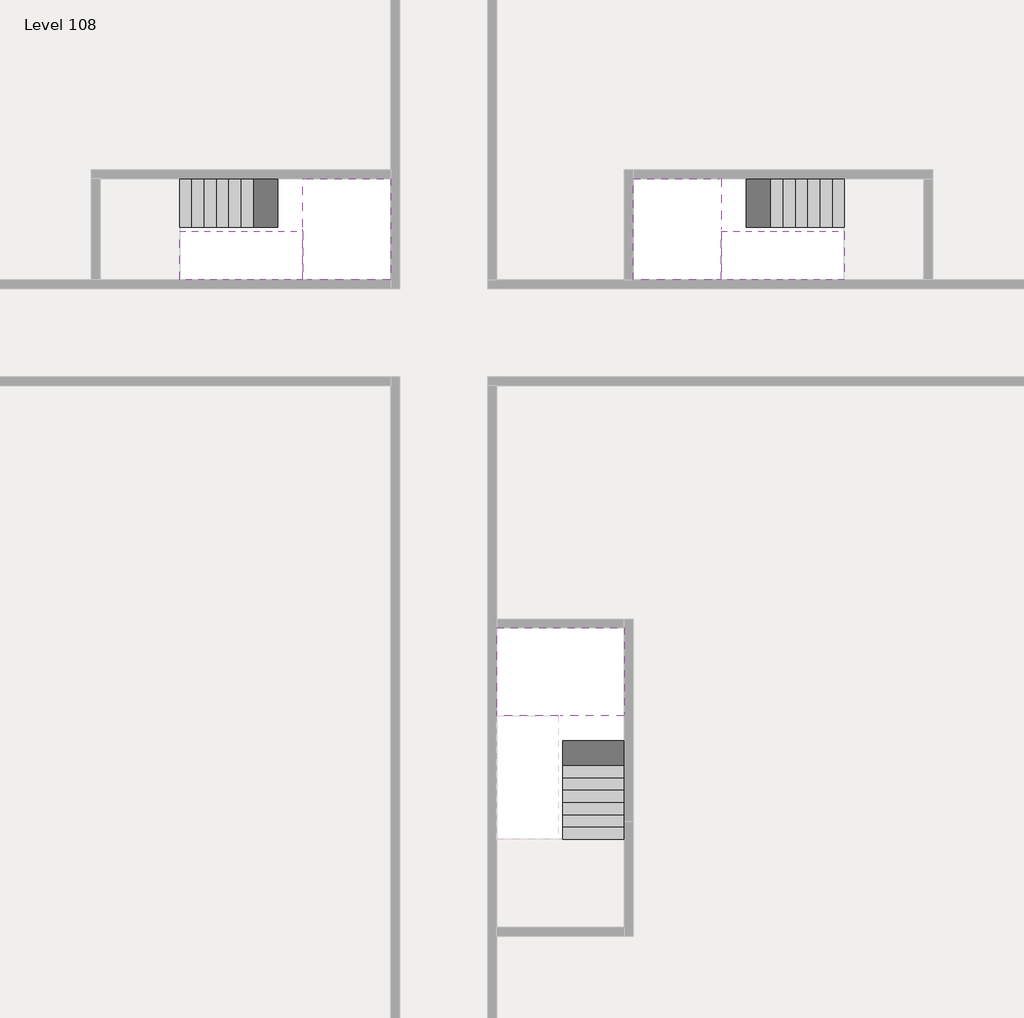
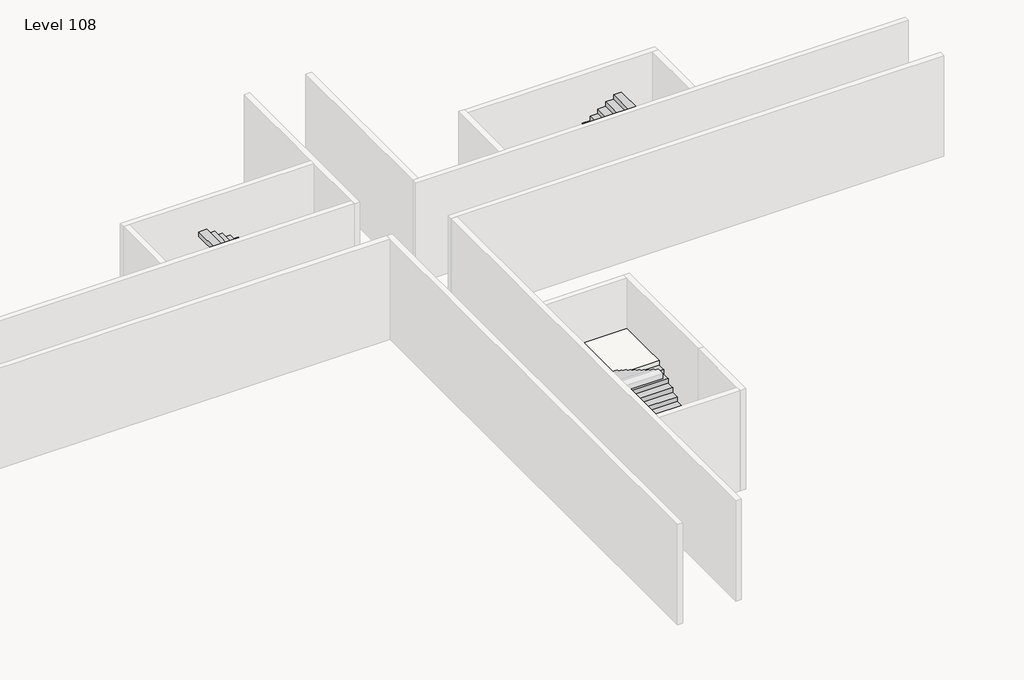
# One storey, part 2 of 2: 5 stair flights, 3 slabs.
"""IFC4 building model written with IfcOpenShell, lengths in millimetres."""

from ifc_helpers import new_model, si_unit, origin, place, context, project, spatial, faceted_brep, element, save

model = new_model("IFC4")

# Units and contexts
model_context = context("Model", 3, world=origin())
ifc_project = project(units=[si_unit("LENGTHUNIT", "METRE", prefix="MILLI")], contexts=[model_context])

# Site, building, storey
site = spatial("IfcSite", under=ifc_project)
building = spatial("IfcBuilding", under=site)
storey = spatial("IfcBuildingStorey", under=building, Name="Level 108", Elevation=406600.0)

# Slabs
placement = place(None, origin())
element("IfcSlab", 1, at=placement, inside=storey, context=model_context, shape_type="Brep", body=[
    faceted_brep([(26890.1058784, -40418.09644, 408500.0), (28290.1058784, -40418.09644, 408500.0), (28290.1058784, -40338.7100038, 408500.0), (28290.1058784, -38418.09644, 408500.0), (25390.1058784, -38418.09644, 408500.0), (25390.1058784, -40217.4828763, 408500.0), (25390.1058784, -40418.09644, 408500.0), (26790.1058784, -40418.09644, 408500.0), (26890.1058784, -40418.09644, 408200.0), (26890.1058784, -40418.09644, 408151.0278478), (28290.1058784, -40418.09644, 408151.0278478), (28290.1058784, -40418.09644, 408327.2727273), (28290.1058784, -40338.7100038, 408200.0), (28290.1058784, -38418.09644, 408200.0), (25390.1058784, -38418.09644, 408200.0), (25390.1058784, -40217.4828763, 408200.0), (25390.1058784, -40418.09644, 408323.7551205), (26790.1058784, -40418.09644, 408323.7551205), (26790.1058784, -40418.09644, 408200.0), (26790.1058784, -40217.4828763, 408200.0), (26890.1058784, -40338.7100038, 408200.0)], [[[0, 1, 2, 3, 4, 5, 6, 7]], [[1, 0, 8, 9, 10, 11]], [[1, 11, 10, 12, 13, 3, 2]], [[4, 3, 13, 14]], [[4, 14, 15, 16, 6, 5]], [[7, 6, 16, 17]], [[0, 7, 17, 18, 8]], [[18, 19, 15, 14, 13, 12, 20, 8]], [[19, 18, 17]], [[20, 12, 10, 9]], [[8, 20, 9]], [[15, 19, 17, 16]]]),
])
element("IfcSlab", 2, at=placement, inside=storey, context=model_context, shape_type="Brep", body=[
    faceted_brep([(20990.1058784, -28218.09644, 408500.0), (20990.1058784, -29318.09644, 408500.0), (20990.1058784, -29418.09644, 408500.0), (20990.1058784, -30518.09644, 408500.0), (21190.7194421, -30518.09644, 408500.0), (22990.1058784, -30518.09644, 408500.0), (22990.1058784, -28218.09644, 408500.0), (21069.4923146, -28218.09644, 408500.0), (20990.1058784, -28218.09644, 408327.2727273), (20990.1058784, -28218.09644, 408151.0278478), (20990.1058784, -29318.09644, 408151.0278478), (20990.1058784, -29318.09644, 408200.0), (20990.1058784, -29418.09644, 408200.0), (20990.1058784, -29418.09644, 408323.7551205), (20990.1058784, -30518.09644, 408323.7551205), (21190.7194421, -30518.09644, 408200.0), (22990.1058784, -30518.09644, 408200.0), (22990.1058784, -28218.09644, 408200.0), (21069.4923146, -28218.09644, 408200.0), (21190.7194421, -29418.09644, 408200.0), (21069.4923146, -29318.09644, 408200.0)], [[[0, 1, 2, 3, 4, 5, 6, 7]], [[1, 0, 8, 9, 10, 11]], [[2, 1, 11, 12, 13]], [[3, 2, 13, 14]], [[3, 14, 15, 16, 5, 4]], [[6, 5, 16, 17]], [[9, 8, 0, 7, 6, 17, 18]], [[19, 12, 11, 20, 18, 17, 16, 15]], [[12, 19, 13]], [[18, 20, 10, 9]], [[20, 11, 10]], [[19, 15, 14, 13]]]),
])
element("IfcSlab", 3, at=placement, inside=storey, context=model_context, shape_type="Brep", body=[
    faceted_brep([(30490.1058784, -29318.09644, 408500.0), (30490.1058784, -28218.09644, 408500.0), (30410.7194421, -28218.09644, 408500.0), (28490.1058784, -28218.09644, 408500.0), (28490.1058784, -30518.09644, 408500.0), (30289.4923146, -30518.09644, 408500.0), (30490.1058784, -30518.09644, 408500.0), (30490.1058784, -29418.09644, 408500.0), (30490.1058784, -29318.09644, 408200.0), (30490.1058784, -29318.09644, 408151.0278478), (30490.1058784, -28218.09644, 408151.0278478), (30490.1058784, -28218.09644, 408327.2727273), (30490.1058784, -29418.09644, 408323.7551205), (30490.1058784, -29418.09644, 408200.0), (30490.1058784, -30518.09644, 408323.7551205), (28490.1058784, -30518.09644, 408200.0), (30289.4923146, -30518.09644, 408200.0), (28490.1058784, -28218.09644, 408200.0), (30410.7194421, -28218.09644, 408200.0), (30289.4923146, -29418.09644, 408200.0), (30410.7194421, -29318.09644, 408200.0)], [[[0, 1, 2, 3, 4, 5, 6, 7]], [[1, 0, 8, 9, 10, 11]], [[0, 7, 12, 13, 8]], [[7, 6, 14, 12]], [[4, 15, 16, 14, 6, 5]], [[4, 3, 17, 15]], [[1, 11, 10, 18, 17, 3, 2]], [[13, 19, 16, 15, 17, 18, 20, 8]], [[20, 18, 10, 9]], [[8, 20, 9]], [[16, 19, 12, 14]], [[19, 13, 12]]]),
])

# Stair flights
element("IfcStairFlight", 4, at=placement, inside=storey, context=model_context, shape_type="Brep", body=[
    faceted_brep([(26890.1058784, -42938.09644, 406772.7272727), (26890.1058784, -43218.09644, 406772.7272727), (28290.1058784, -43218.09644, 406772.7272727), (28290.1058784, -42938.09644, 406772.7272727), (26890.1058784, -42938.09644, 406600.0), (26890.1058784, -43218.09644, 406600.0), (28290.1058784, -43218.09644, 406600.0), (28290.1058784, -42938.09644, 406600.0), (26890.1058784, -42658.09644, 406945.4545455), (26890.1058784, -42938.09644, 406945.4545455), (28290.1058784, -42938.09644, 406945.4545455), (28290.1058784, -42658.09644, 406945.4545455), (26890.1058784, -42658.09644, 406769.209666), (26890.1058784, -42932.3942143, 406600.0), (28290.1058784, -42932.3942143, 406600.0), (28290.1058784, -42658.09644, 406769.209666), (26890.1058784, -42378.09644, 407118.1818182), (26890.1058784, -42658.09644, 407118.1818182), (28290.1058784, -42658.09644, 407118.1818182), (28290.1058784, -42378.09644, 407118.1818182), (26890.1058784, -42378.09644, 406941.9369387), (28290.1058784, -42378.09644, 406941.9369387), (26890.1058784, -42098.09644, 407290.9090909), (26890.1058784, -42378.09644, 407290.9090909), (28290.1058784, -42378.09644, 407290.9090909), (28290.1058784, -42098.09644, 407290.9090909), (26890.1058784, -42098.09644, 407114.6642114), (28290.1058784, -42098.09644, 407114.6642114), (26890.1058784, -41818.09644, 407463.6363636), (26890.1058784, -42098.09644, 407463.6363636), (28290.1058784, -42098.09644, 407463.6363636), (28290.1058784, -41818.09644, 407463.6363636), (26890.1058784, -41818.09644, 407287.3914841), (28290.1058784, -41818.09644, 407287.3914841), (26890.1058784, -41538.09644, 407636.3636364), (26890.1058784, -41818.09644, 407636.3636364), (28290.1058784, -41818.09644, 407636.3636364), (28290.1058784, -41538.09644, 407636.3636364), (26890.1058784, -41538.09644, 407460.1187569), (28290.1058784, -41538.09644, 407460.1187569), (26890.1058784, -41258.09644, 407809.0909091), (26890.1058784, -41538.09644, 407809.0909091), (28290.1058784, -41538.09644, 407809.0909091), (28290.1058784, -41258.09644, 407809.0909091), (26890.1058784, -41258.09644, 407632.8460296), (28290.1058784, -41258.09644, 407632.8460296), (26890.1058784, -40978.09644, 407981.8181818), (26890.1058784, -41258.09644, 407981.8181818), (28290.1058784, -41258.09644, 407981.8181818), (28290.1058784, -40978.09644, 407981.8181818), (26890.1058784, -40978.09644, 407805.5733023), (28290.1058784, -40978.09644, 407805.5733023), (26890.1058784, -40698.09644, 408154.5454545), (26890.1058784, -40978.09644, 408154.5454545), (28290.1058784, -40978.09644, 408154.5454545), (28290.1058784, -40698.09644, 408154.5454545), (26890.1058784, -40698.09644, 407978.3005751), (28290.1058784, -40698.09644, 407978.3005751), (26890.1058784, -40418.09644, 408327.2727273), (26890.1058784, -40698.09644, 408327.2727273), (28290.1058784, -40698.09644, 408327.2727273), (28290.1058784, -40418.09644, 408327.2727273), (26890.1058784, -40418.09644, 408200.0), (26890.1058784, -40418.09644, 408151.0278478), (28290.1058784, -40418.09644, 408151.0278478)], [[[0, 1, 2, 3]], [[1, 0, 4, 5]], [[2, 1, 5, 6]], [[3, 2, 6, 7]], [[8, 9, 10, 11]], [[4, 0, 9, 8, 12, 13]], [[0, 3, 10, 9]], [[3, 7, 14, 15, 11, 10]], [[16, 17, 18, 19]], [[17, 16, 20, 12, 8]], [[8, 11, 18, 17]], [[19, 18, 11, 15, 21]], [[22, 23, 24, 25]], [[23, 22, 26, 20, 16]], [[16, 19, 24, 23]], [[25, 24, 19, 21, 27]], [[28, 29, 30, 31]], [[29, 28, 32, 26, 22]], [[22, 25, 30, 29]], [[31, 30, 25, 27, 33]], [[34, 35, 36, 37]], [[35, 34, 38, 32, 28]], [[28, 31, 36, 35]], [[37, 36, 31, 33, 39]], [[40, 41, 42, 43]], [[41, 40, 44, 38, 34]], [[34, 37, 42, 41]], [[43, 42, 37, 39, 45]], [[46, 47, 48, 49]], [[47, 46, 50, 44, 40]], [[40, 43, 48, 47]], [[49, 48, 43, 45, 51]], [[52, 53, 54, 55]], [[53, 52, 56, 50, 46]], [[46, 49, 54, 53]], [[55, 54, 49, 51, 57]], [[58, 59, 60, 61]], [[59, 58, 62, 63, 56, 52]], [[52, 55, 60, 59]], [[61, 60, 55, 57, 64]], [[58, 61, 64, 63, 62]], [[5, 4, 13, 14, 7, 6]], [[14, 13, 12, 20, 26, 32, 38, 44, 50, 56, 63, 64, 57, 51, 45, 39, 33, 27, 21, 15]]]),
])
element("IfcStairFlight", 5, at=placement, inside=storey, context=model_context, shape_type="Brep", body=[
    faceted_brep([(18470.1058784, -28218.09644, 406772.7272727), (18190.1058784, -28218.09644, 406772.7272727), (18190.1058784, -29318.09644, 406772.7272727), (18470.1058784, -29318.09644, 406772.7272727), (18470.1058784, -28218.09644, 406600.0), (18190.1058784, -28218.09644, 406600.0), (18190.1058784, -29318.09644, 406600.0), (18470.1058784, -29318.09644, 406600.0), (18750.1058784, -28218.09644, 406945.4545455), (18470.1058784, -28218.09644, 406945.4545455), (18470.1058784, -29318.09644, 406945.4545455), (18750.1058784, -29318.09644, 406945.4545455), (18750.1058784, -28218.09644, 406769.209666), (18475.8081041, -28218.09644, 406600.0), (18475.8081041, -29318.09644, 406600.0), (18750.1058784, -29318.09644, 406769.209666), (19030.1058784, -28218.09644, 407118.1818182), (18750.1058784, -28218.09644, 407118.1818182), (18750.1058784, -29318.09644, 407118.1818182), (19030.1058784, -29318.09644, 407118.1818182), (19030.1058784, -28218.09644, 406941.9369387), (19030.1058784, -29318.09644, 406941.9369387), (19310.1058784, -28218.09644, 407290.9090909), (19030.1058784, -28218.09644, 407290.9090909), (19030.1058784, -29318.09644, 407290.9090909), (19310.1058784, -29318.09644, 407290.9090909), (19310.1058784, -28218.09644, 407114.6642114), (19310.1058784, -29318.09644, 407114.6642114), (19590.1058784, -28218.09644, 407463.6363636), (19310.1058784, -28218.09644, 407463.6363636), (19310.1058784, -29318.09644, 407463.6363636), (19590.1058784, -29318.09644, 407463.6363636), (19590.1058784, -28218.09644, 407287.3914841), (19590.1058784, -29318.09644, 407287.3914841), (19870.1058784, -28218.09644, 407636.3636364), (19590.1058784, -28218.09644, 407636.3636364), (19590.1058784, -29318.09644, 407636.3636364), (19870.1058784, -29318.09644, 407636.3636364), (19870.1058784, -28218.09644, 407460.1187569), (19870.1058784, -29318.09644, 407460.1187569), (20150.1058784, -28218.09644, 407809.0909091), (19870.1058784, -28218.09644, 407809.0909091), (19870.1058784, -29318.09644, 407809.0909091), (20150.1058784, -29318.09644, 407809.0909091), (20150.1058784, -28218.09644, 407632.8460296), (20150.1058784, -29318.09644, 407632.8460296), (20430.1058784, -28218.09644, 407981.8181818), (20150.1058784, -28218.09644, 407981.8181818), (20150.1058784, -29318.09644, 407981.8181818), (20430.1058784, -29318.09644, 407981.8181818), (20430.1058784, -28218.09644, 407805.5733023), (20430.1058784, -29318.09644, 407805.5733023), (20710.1058784, -28218.09644, 408154.5454545), (20430.1058784, -28218.09644, 408154.5454545), (20430.1058784, -29318.09644, 408154.5454545), (20710.1058784, -29318.09644, 408154.5454545), (20710.1058784, -28218.09644, 407978.3005751), (20710.1058784, -29318.09644, 407978.3005751), (20990.1058784, -28218.09644, 408327.2727273), (20710.1058784, -28218.09644, 408327.2727273), (20710.1058784, -29318.09644, 408327.2727273), (20990.1058784, -29318.09644, 408327.2727273), (20990.1058784, -28218.09644, 408151.0278478), (20990.1058784, -29318.09644, 408151.0278478), (20990.1058784, -29318.09644, 408200.0)], [[[0, 1, 2, 3]], [[1, 0, 4, 5]], [[2, 1, 5, 6]], [[3, 2, 6, 7]], [[8, 9, 10, 11]], [[4, 0, 9, 8, 12, 13]], [[0, 3, 10, 9]], [[3, 7, 14, 15, 11, 10]], [[16, 17, 18, 19]], [[17, 16, 20, 12, 8]], [[8, 11, 18, 17]], [[19, 18, 11, 15, 21]], [[22, 23, 24, 25]], [[23, 22, 26, 20, 16]], [[16, 19, 24, 23]], [[25, 24, 19, 21, 27]], [[28, 29, 30, 31]], [[29, 28, 32, 26, 22]], [[22, 25, 30, 29]], [[31, 30, 25, 27, 33]], [[34, 35, 36, 37]], [[35, 34, 38, 32, 28]], [[28, 31, 36, 35]], [[37, 36, 31, 33, 39]], [[40, 41, 42, 43]], [[41, 40, 44, 38, 34]], [[34, 37, 42, 41]], [[43, 42, 37, 39, 45]], [[46, 47, 48, 49]], [[47, 46, 50, 44, 40]], [[40, 43, 48, 47]], [[49, 48, 43, 45, 51]], [[52, 53, 54, 55]], [[53, 52, 56, 50, 46]], [[46, 49, 54, 53]], [[55, 54, 49, 51, 57]], [[58, 59, 60, 61]], [[59, 58, 62, 56, 52]], [[52, 55, 60, 59]], [[61, 60, 55, 57, 63, 64]], [[58, 61, 64, 63, 62]], [[5, 4, 13, 14, 7, 6]], [[14, 13, 12, 20, 26, 32, 38, 44, 50, 56, 62, 63, 57, 51, 45, 39, 33, 27, 21, 15]]]),
])
element("IfcStairFlight", 6, at=placement, inside=storey, context=model_context, shape_type="Brep", body=[
    faceted_brep([(20710.1058784, -30518.09644, 408672.7272727), (20990.1058784, -30518.09644, 408672.7272727), (20990.1058784, -29418.09644, 408672.7272727), (20710.1058784, -29418.09644, 408672.7272727), (20710.1058784, -30518.09644, 408496.4823932), (20990.1058784, -30518.09644, 408323.7551205), (20990.1058784, -30518.09644, 408500.0), (20990.1058784, -29418.09644, 408323.7551205), (20710.1058784, -29418.09644, 408496.4823932), (20430.1058784, -30518.09644, 408845.4545455), (20710.1058784, -30518.09644, 408845.4545455), (20710.1058784, -29418.09644, 408845.4545455), (20430.1058784, -29418.09644, 408845.4545455), (20430.1058784, -30518.09644, 408669.209666), (20430.1058784, -29418.09644, 408669.209666), (20150.1058784, -30518.09644, 409018.1818182), (20430.1058784, -30518.09644, 409018.1818182), (20430.1058784, -29418.09644, 409018.1818182), (20150.1058784, -29418.09644, 409018.1818182), (20150.1058784, -30518.09644, 408841.9369387), (20150.1058784, -29418.09644, 408841.9369387), (19870.1058784, -30518.09644, 409190.9090909), (20150.1058784, -30518.09644, 409190.9090909), (20150.1058784, -29418.09644, 409190.9090909), (19870.1058784, -29418.09644, 409190.9090909), (19870.1058784, -30518.09644, 409014.6642114), (19870.1058784, -29418.09644, 409014.6642114), (19590.1058784, -30518.09644, 409363.6363636), (19870.1058784, -30518.09644, 409363.6363636), (19870.1058784, -29418.09644, 409363.6363636), (19590.1058784, -29418.09644, 409363.6363636), (19590.1058784, -30518.09644, 409187.3914841), (19590.1058784, -29418.09644, 409187.3914841), (19310.1058784, -30518.09644, 409536.3636364), (19590.1058784, -30518.09644, 409536.3636364), (19590.1058784, -29418.09644, 409536.3636364), (19310.1058784, -29418.09644, 409536.3636364), (19310.1058784, -30518.09644, 409360.1187569), (19310.1058784, -29418.09644, 409360.1187569), (19030.1058784, -30518.09644, 409709.0909091), (19310.1058784, -30518.09644, 409709.0909091), (19310.1058784, -29418.09644, 409709.0909091), (19030.1058784, -29418.09644, 409709.0909091), (19030.1058784, -30518.09644, 409532.8460296), (19030.1058784, -29418.09644, 409532.8460296), (18750.1058784, -30518.09644, 409881.8181818), (19030.1058784, -30518.09644, 409881.8181818), (19030.1058784, -29418.09644, 409881.8181818), (18750.1058784, -29418.09644, 409881.8181818), (18750.1058784, -30518.09644, 409705.5733023), (18750.1058784, -29418.09644, 409705.5733023), (18470.1058784, -30518.09644, 410054.5454545), (18750.1058784, -30518.09644, 410054.5454545), (18750.1058784, -29418.09644, 410054.5454545), (18470.1058784, -29418.09644, 410054.5454545), (18470.1058784, -30518.09644, 409878.3005751), (18470.1058784, -29418.09644, 409878.3005751), (18190.1058784, -30518.09644, 410227.2727273), (18470.1058784, -30518.09644, 410227.2727273), (18470.1058784, -29418.09644, 410227.2727273), (18190.1058784, -29418.09644, 410227.2727273), (18190.1058784, -30518.09644, 410051.0278478), (18190.1058784, -29418.09644, 410051.0278478)], [[[0, 1, 2, 3]], [[1, 0, 4, 5, 6]], [[2, 1, 6, 5, 7]], [[3, 2, 7, 8]], [[9, 10, 11, 12]], [[10, 9, 13, 4, 0]], [[11, 10, 0, 3]], [[12, 11, 3, 8, 14]], [[15, 16, 17, 18]], [[16, 15, 19, 13, 9]], [[17, 16, 9, 12]], [[18, 17, 12, 14, 20]], [[21, 22, 23, 24]], [[22, 21, 25, 19, 15]], [[23, 22, 15, 18]], [[24, 23, 18, 20, 26]], [[27, 28, 29, 30]], [[28, 27, 31, 25, 21]], [[29, 28, 21, 24]], [[30, 29, 24, 26, 32]], [[33, 34, 35, 36]], [[34, 33, 37, 31, 27]], [[35, 34, 27, 30]], [[36, 35, 30, 32, 38]], [[39, 40, 41, 42]], [[40, 39, 43, 37, 33]], [[41, 40, 33, 36]], [[42, 41, 36, 38, 44]], [[45, 46, 47, 48]], [[46, 45, 49, 43, 39]], [[47, 46, 39, 42]], [[48, 47, 42, 44, 50]], [[51, 52, 53, 54]], [[52, 51, 55, 49, 45]], [[53, 52, 45, 48]], [[54, 53, 48, 50, 56]], [[57, 58, 59, 60]], [[58, 57, 61, 55, 51]], [[59, 58, 51, 54]], [[60, 59, 54, 56, 62]], [[57, 60, 62, 61]], [[5, 4, 13, 19, 25, 31, 37, 43, 49, 55, 61, 62, 56, 50, 44, 38, 32, 26, 20, 14, 8, 7]]]),
])
element("IfcStairFlight", 7, at=placement, inside=storey, context=model_context, shape_type="Brep", body=[
    faceted_brep([(33010.1058784, -29318.09644, 406772.7272727), (33290.1058784, -29318.09644, 406772.7272727), (33290.1058784, -28218.09644, 406772.7272727), (33010.1058784, -28218.09644, 406772.7272727), (33290.1058784, -28218.09644, 406600.0), (33010.1058784, -28218.09644, 406600.0), (33290.1058784, -29318.09644, 406600.0), (33010.1058784, -29318.09644, 406600.0), (32730.1058784, -29318.09644, 406945.4545455), (33010.1058784, -29318.09644, 406945.4545455), (33010.1058784, -28218.09644, 406945.4545455), (32730.1058784, -28218.09644, 406945.4545455), (33004.4036527, -28218.09644, 406600.0), (32730.1058784, -28218.09644, 406769.209666), (32730.1058784, -29318.09644, 406769.209666), (33004.4036527, -29318.09644, 406600.0), (32450.1058784, -29318.09644, 407118.1818182), (32730.1058784, -29318.09644, 407118.1818182), (32730.1058784, -28218.09644, 407118.1818182), (32450.1058784, -28218.09644, 407118.1818182), (32450.1058784, -28218.09644, 406941.9369387), (32450.1058784, -29318.09644, 406941.9369387), (32170.1058784, -29318.09644, 407290.9090909), (32450.1058784, -29318.09644, 407290.9090909), (32450.1058784, -28218.09644, 407290.9090909), (32170.1058784, -28218.09644, 407290.9090909), (32170.1058784, -28218.09644, 407114.6642114), (32170.1058784, -29318.09644, 407114.6642114), (31890.1058784, -29318.09644, 407463.6363636), (32170.1058784, -29318.09644, 407463.6363636), (32170.1058784, -28218.09644, 407463.6363636), (31890.1058784, -28218.09644, 407463.6363636), (31890.1058784, -28218.09644, 407287.3914841), (31890.1058784, -29318.09644, 407287.3914841), (31610.1058784, -29318.09644, 407636.3636364), (31890.1058784, -29318.09644, 407636.3636364), (31890.1058784, -28218.09644, 407636.3636364), (31610.1058784, -28218.09644, 407636.3636364), (31610.1058784, -28218.09644, 407460.1187569), (31610.1058784, -29318.09644, 407460.1187569), (31330.1058784, -29318.09644, 407809.0909091), (31610.1058784, -29318.09644, 407809.0909091), (31610.1058784, -28218.09644, 407809.0909091), (31330.1058784, -28218.09644, 407809.0909091), (31330.1058784, -28218.09644, 407632.8460296), (31330.1058784, -29318.09644, 407632.8460296), (31050.1058784, -29318.09644, 407981.8181818), (31330.1058784, -29318.09644, 407981.8181818), (31330.1058784, -28218.09644, 407981.8181818), (31050.1058784, -28218.09644, 407981.8181818), (31050.1058784, -28218.09644, 407805.5733023), (31050.1058784, -29318.09644, 407805.5733023), (30770.1058784, -29318.09644, 408154.5454545), (31050.1058784, -29318.09644, 408154.5454545), (31050.1058784, -28218.09644, 408154.5454545), (30770.1058784, -28218.09644, 408154.5454545), (30770.1058784, -28218.09644, 407978.3005751), (30770.1058784, -29318.09644, 407978.3005751), (30490.1058784, -29318.09644, 408327.2727273), (30770.1058784, -29318.09644, 408327.2727273), (30770.1058784, -28218.09644, 408327.2727273), (30490.1058784, -28218.09644, 408327.2727273), (30490.1058784, -28218.09644, 408151.0278478), (30490.1058784, -29318.09644, 408200.0), (30490.1058784, -29318.09644, 408151.0278478)], [[[0, 1, 2, 3]], [[3, 2, 4, 5]], [[2, 1, 6, 4]], [[1, 0, 7, 6]], [[8, 9, 10, 11]], [[3, 5, 12, 13, 11, 10]], [[0, 3, 10, 9]], [[7, 0, 9, 8, 14, 15]], [[16, 17, 18, 19]], [[19, 18, 11, 13, 20]], [[8, 11, 18, 17]], [[17, 16, 21, 14, 8]], [[22, 23, 24, 25]], [[25, 24, 19, 20, 26]], [[16, 19, 24, 23]], [[23, 22, 27, 21, 16]], [[28, 29, 30, 31]], [[31, 30, 25, 26, 32]], [[22, 25, 30, 29]], [[29, 28, 33, 27, 22]], [[34, 35, 36, 37]], [[37, 36, 31, 32, 38]], [[28, 31, 36, 35]], [[35, 34, 39, 33, 28]], [[40, 41, 42, 43]], [[43, 42, 37, 38, 44]], [[34, 37, 42, 41]], [[41, 40, 45, 39, 34]], [[46, 47, 48, 49]], [[49, 48, 43, 44, 50]], [[40, 43, 48, 47]], [[47, 46, 51, 45, 40]], [[52, 53, 54, 55]], [[55, 54, 49, 50, 56]], [[46, 49, 54, 53]], [[53, 52, 57, 51, 46]], [[58, 59, 60, 61]], [[61, 60, 55, 56, 62]], [[52, 55, 60, 59]], [[59, 58, 63, 64, 57, 52]], [[58, 61, 62, 64, 63]], [[6, 7, 15, 12, 5, 4]], [[12, 15, 14, 21, 27, 33, 39, 45, 51, 57, 64, 62, 56, 50, 44, 38, 32, 26, 20, 13]]]),
])
element("IfcStairFlight", 8, at=placement, inside=storey, context=model_context, shape_type="Brep", body=[
    faceted_brep([(30770.1058784, -29418.09644, 408672.7272727), (30490.1058784, -29418.09644, 408672.7272727), (30490.1058784, -30518.09644, 408672.7272727), (30770.1058784, -30518.09644, 408672.7272727), (30490.1058784, -30518.09644, 408500.0), (30490.1058784, -30518.09644, 408323.7551205), (30770.1058784, -30518.09644, 408496.4823932), (30490.1058784, -29418.09644, 408323.7551205), (30770.1058784, -29418.09644, 408496.4823932), (31050.1058784, -29418.09644, 408845.4545455), (30770.1058784, -29418.09644, 408845.4545455), (30770.1058784, -30518.09644, 408845.4545455), (31050.1058784, -30518.09644, 408845.4545455), (31050.1058784, -30518.09644, 408669.209666), (31050.1058784, -29418.09644, 408669.209666), (31330.1058784, -29418.09644, 409018.1818182), (31050.1058784, -29418.09644, 409018.1818182), (31050.1058784, -30518.09644, 409018.1818182), (31330.1058784, -30518.09644, 409018.1818182), (31330.1058784, -30518.09644, 408841.9369387), (31330.1058784, -29418.09644, 408841.9369387), (31610.1058784, -29418.09644, 409190.9090909), (31330.1058784, -29418.09644, 409190.9090909), (31330.1058784, -30518.09644, 409190.9090909), (31610.1058784, -30518.09644, 409190.9090909), (31610.1058784, -30518.09644, 409014.6642114), (31610.1058784, -29418.09644, 409014.6642114), (31890.1058784, -29418.09644, 409363.6363636), (31610.1058784, -29418.09644, 409363.6363636), (31610.1058784, -30518.09644, 409363.6363636), (31890.1058784, -30518.09644, 409363.6363636), (31890.1058784, -30518.09644, 409187.3914841), (31890.1058784, -29418.09644, 409187.3914841), (32170.1058784, -29418.09644, 409536.3636364), (31890.1058784, -29418.09644, 409536.3636364), (31890.1058784, -30518.09644, 409536.3636364), (32170.1058784, -30518.09644, 409536.3636364), (32170.1058784, -30518.09644, 409360.1187569), (32170.1058784, -29418.09644, 409360.1187569), (32450.1058784, -29418.09644, 409709.0909091), (32170.1058784, -29418.09644, 409709.0909091), (32170.1058784, -30518.09644, 409709.0909091), (32450.1058784, -30518.09644, 409709.0909091), (32450.1058784, -30518.09644, 409532.8460296), (32450.1058784, -29418.09644, 409532.8460296), (32730.1058784, -29418.09644, 409881.8181818), (32450.1058784, -29418.09644, 409881.8181818), (32450.1058784, -30518.09644, 409881.8181818), (32730.1058784, -30518.09644, 409881.8181818), (32730.1058784, -30518.09644, 409705.5733023), (32730.1058784, -29418.09644, 409705.5733023), (33010.1058784, -29418.09644, 410054.5454545), (32730.1058784, -29418.09644, 410054.5454545), (32730.1058784, -30518.09644, 410054.5454545), (33010.1058784, -30518.09644, 410054.5454545), (33010.1058784, -30518.09644, 409878.3005751), (33010.1058784, -29418.09644, 409878.3005751), (33290.1058784, -29418.09644, 410227.2727273), (33010.1058784, -29418.09644, 410227.2727273), (33010.1058784, -30518.09644, 410227.2727273), (33290.1058784, -30518.09644, 410227.2727273), (33290.1058784, -30518.09644, 410051.0278478), (33290.1058784, -29418.09644, 410051.0278478)], [[[0, 1, 2, 3]], [[3, 2, 4, 5, 6]], [[2, 1, 7, 5, 4]], [[1, 0, 8, 7]], [[9, 10, 11, 12]], [[12, 11, 3, 6, 13]], [[11, 10, 0, 3]], [[10, 9, 14, 8, 0]], [[15, 16, 17, 18]], [[18, 17, 12, 13, 19]], [[17, 16, 9, 12]], [[16, 15, 20, 14, 9]], [[21, 22, 23, 24]], [[24, 23, 18, 19, 25]], [[23, 22, 15, 18]], [[22, 21, 26, 20, 15]], [[27, 28, 29, 30]], [[30, 29, 24, 25, 31]], [[29, 28, 21, 24]], [[28, 27, 32, 26, 21]], [[33, 34, 35, 36]], [[36, 35, 30, 31, 37]], [[35, 34, 27, 30]], [[34, 33, 38, 32, 27]], [[39, 40, 41, 42]], [[42, 41, 36, 37, 43]], [[41, 40, 33, 36]], [[40, 39, 44, 38, 33]], [[45, 46, 47, 48]], [[48, 47, 42, 43, 49]], [[47, 46, 39, 42]], [[46, 45, 50, 44, 39]], [[51, 52, 53, 54]], [[54, 53, 48, 49, 55]], [[53, 52, 45, 48]], [[52, 51, 56, 50, 45]], [[57, 58, 59, 60]], [[60, 59, 54, 55, 61]], [[59, 58, 51, 54]], [[58, 57, 62, 56, 51]], [[57, 60, 61, 62]], [[7, 8, 14, 20, 26, 32, 38, 44, 50, 56, 62, 61, 55, 49, 43, 37, 31, 25, 19, 13, 6, 5]]]),
])

save(model, "model.ifc")
